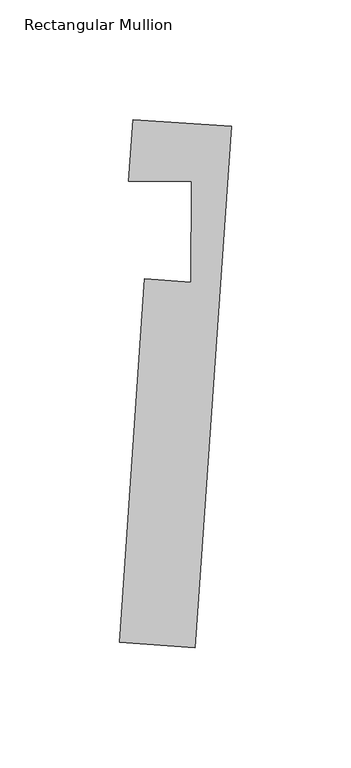
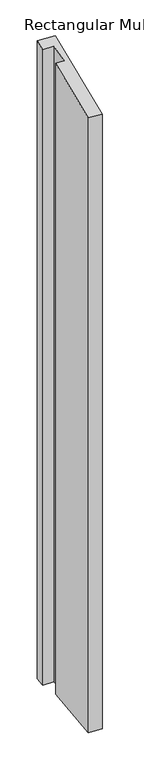
"""IFC4 building model written with IfcOpenShell, lengths in millimetres: member geometry, Rectangular Mullion."""

from ifc_helpers import new_model, si_unit, origin, place, context, project, spatial, faceted_brep, source, transform, mapped, element, save


def rectangular_mullion_ab483aa0(model_context):
    return source(origin(), model_context, "Body", "Brep", [
        faceted_brep([(-31.7845604, 0.6024293, -1575.3073102), (-12.3039791, -0.7495362, -1575.3073102), (-12.2093568, 41.2771937, -1575.3073102), (-38.5049705, 41.3363977, -1575.3073102), (-36.7141782, 67.1400717, -1575.3073102), (4.4612466, 64.2824696, -1575.3073102), (-10.6620295, -153.6300614, -1575.3073102), (-42.3358434, -151.4318775, -1575.3073102), (-42.3358434, -151.4318775, -41.2292561), (-31.7845604, 0.6024293, -0.4278269), (-10.6620295, -153.6300614, -41.2296817), (4.4612466, 64.2824696, 17.2514789), (-36.7141782, 67.1400717, 17.2520322), (-38.5049705, 41.3363977, 10.3271032), (-12.2093568, 41.2771937, 10.7983486), (-12.3039791, -0.7495362, -0.4280887)], [[[0, 1, 2, 3, 4, 5, 6, 7]], [[8, 9, 0, 7]], [[10, 8, 7, 6]], [[11, 10, 6, 5]], [[12, 11, 5, 4]], [[13, 12, 4, 3]], [[14, 13, 3, 2]], [[15, 14, 2, 1]], [[9, 15, 1, 0]], [[9, 8, 10, 11, 12, 13, 14, 15]]]),
    ])


if __name__ == "__main__":
    model = new_model("IFC4")
    model_context = context("Model", 3, world=origin())
    ifc_project = project(units=[si_unit("LENGTHUNIT", "METRE", prefix="MILLI")], contexts=[model_context])
    site = spatial("IfcSite", under=ifc_project)
    building = spatial("IfcBuilding", under=site)
    placement = place(None, origin())
    rectangular_mullion_shape = rectangular_mullion_ab483aa0(model_context)
    element("IfcMember", 1, ObjectType="Rectangular Mullion", at=placement, inside=building, context=model_context, shape_type="MappedRepresentation", body=[
        mapped(rectangular_mullion_shape, transform((0.0, 0.0, 0.0), x_axis=(1.0, 0.0, 0.0), y_axis=(0.0, 1.0, 0.0), z_axis=(0.0, 0.0, 1.0))),
    ])
    save(model, "model.ifc")
